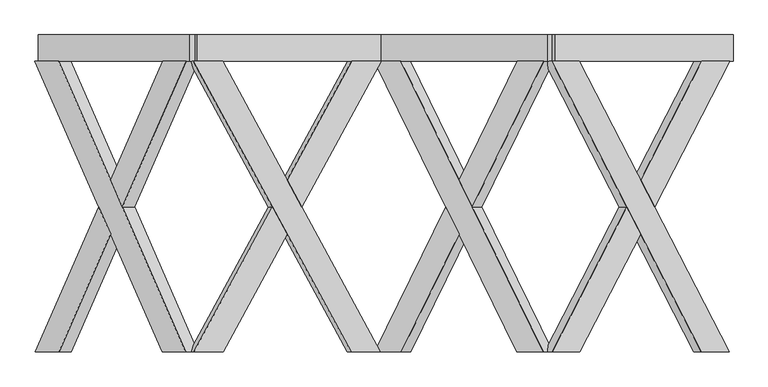
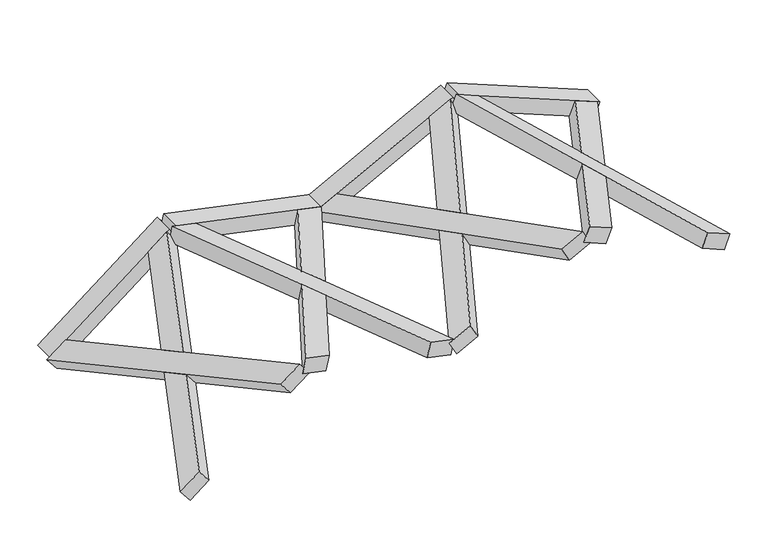
"""IFC4 building model written with IfcOpenShell, lengths in millimetres: proxy geometry."""

from ifc_helpers import new_model, si_unit, frame, origin, place, context, project, spatial, polyline, outline, extrude, faceted_brep, source, transform, mapped, element, save


def generic_models_60bac4ab(model_context):
    return source(origin(), model_context, "Body", "SolidModel", [
        faceted_brep([(5167.2352194, -100.0, 674.8046031), (4026.4367272, -2319.6837757, 1135.7171123), (3814.4168408, -2319.6837757, 1221.3787068), (4955.215333, -100.0, 760.4661976), (3870.6078298, -2319.6837757, 1360.456285), (4082.6277162, -2319.6837757, 1274.7946905), (4544.8188756, -1420.3854116, 1088.0573408), (4438.8089324, -1214.1188776, 1130.888138), (5223.4262084, -100.0, 813.8821813), (5011.4063221, -100.0, 899.5437757), (4544.8188756, -1007.8523437, 1088.0573408), (4650.8288188, -1214.1188776, 1045.2265435), (4410.7134379, -1214.1188776, 1061.3493489), (4516.7233811, -1007.8523437, 1018.5185517), (4622.7333243, -1214.1188776, 975.6877544), (4516.7233811, -1420.3854116, 1018.5185517)], [[[0, 1, 2, 3]], [[4, 5, 6, 7]], [[8, 9, 10, 11]], [[0, 3, 9, 8]], [[3, 2, 4, 7, 12, 13, 10, 9]], [[2, 1, 5, 4]], [[1, 0, 8, 11, 14, 15, 6, 5]], [[12, 15, 14, 13]], [[13, 14, 11, 10]], [[15, 12, 7, 6]]]),
        faceted_brep([(3810.0205538, -100.0, 1223.1549221), (4022.0404402, -100.0, 1137.4933276), (4488.6278866, -1007.8523437, 948.9797626), (4382.6179434, -1214.1188776, 991.8105598), (5162.8389324, -2319.6837757, 676.5808183), (4950.819046, -2319.6837757, 762.2424128), (4488.6278866, -1420.3854116, 948.9797626), (4594.6378298, -1214.1188776, 906.1489653), (3866.2115428, -100.0, 1362.2325002), (5007.010035, -2319.6837757, 901.319991), (5219.0299214, -2319.6837757, 815.6583965), (4078.2314292, -100.0, 1276.5709058), (4622.7333243, -1214.1188776, 975.6877544), (4516.7233811, -1007.8523437, 1018.5185517), (4410.7134379, -1214.1188776, 1061.3493489), (4516.7233811, -1420.3854116, 1018.5185517)], [[[0, 1, 2, 3]], [[4, 5, 6, 7]], [[8, 9, 10, 11]], [[1, 0, 8, 11]], [[11, 10, 4, 7, 12, 13, 2, 1]], [[5, 4, 10, 9]], [[9, 8, 0, 3, 14, 15, 6, 5]], [[12, 15, 14, 13]], [[13, 14, 3, 2]], [[15, 12, 7, 6]]]),
        extrude(outline(polyline([(0.0, -200.0), (0.0, 0.0), (1460.0, 0.0), (1460.0, -200.0), (0.0, -200.0)])), frame((5193.2876161, -100.0, 664.2787516), z_axis=(0.3746065934159147, 0.0, 0.9271838545667863), x_axis=(-0.9271838545667863, 0.0, 0.3746065934159147)), (0.0, 0.0, 1.0), 150.0),
        faceted_brep([(3878.0956223, -100.0, 1201.3306908), (2791.7250199, -2319.6837757, 623.6971952), (2589.8206755, -2319.6837757, 516.342751), (3676.1912779, -100.0, 1093.9762466), (2519.399941, -2319.6837757, 648.7848899), (2721.3042854, -2319.6837757, 756.1393341), (3161.4441451, -1420.3854116, 990.1658488), (3060.4919729, -1214.1188776, 936.4886267), (3807.6748879, -100.0, 1333.7728297), (3605.7705435, -100.0, 1226.4183855), (3161.4441451, -1007.8523437, 990.1658488), (3262.3963173, -1214.1188776, 1043.8430709), (3095.7023401, -1214.1188776, 870.2675572), (3196.6545123, -1007.8523437, 923.9447793), (3297.6066845, -1214.1188776, 977.6220014), (3196.6545123, -1420.3854116, 923.9447793)], [[[0, 1, 2, 3]], [[4, 5, 6, 7]], [[8, 9, 10, 11]], [[0, 3, 9, 8]], [[3, 2, 4, 7, 12, 13, 10, 9]], [[2, 1, 5, 4]], [[1, 0, 8, 11, 14, 15, 6, 5]], [[12, 15, 14, 13]], [[13, 14, 11, 10]], [[15, 12, 7, 6]]]),
        faceted_brep([(2585.6341368, -100.0, 514.1167289), (2787.5384812, -100.0, 621.4711731), (3231.8648795, -1007.8523437, 857.7237099), (3130.9127073, -1214.1188776, 804.0464878), (3873.9090836, -2319.6837757, 1199.1046687), (3672.0047392, -2319.6837757, 1091.7502245), (3231.8648795, -1420.3854116, 857.7237099), (3332.8170517, -1214.1188776, 911.400932), (2515.2134024, -100.0, 646.5588679), (3601.5840048, -2319.6837757, 1224.1923634), (3803.4883492, -2319.6837757, 1331.5468077), (2717.1177468, -100.0, 753.9133121), (3297.6066845, -1214.1188776, 977.6220014), (3196.6545123, -1007.8523437, 923.9447793), (3095.7023401, -1214.1188776, 870.2675572), (3196.6545123, -1420.3854116, 923.9447793)], [[[0, 1, 2, 3]], [[4, 5, 6, 7]], [[8, 9, 10, 11]], [[1, 0, 8, 11]], [[11, 10, 4, 7, 12, 13, 2, 1]], [[5, 4, 10, 9]], [[9, 8, 0, 3, 14, 15, 6, 5]], [[12, 15, 14, 13]], [[13, 14, 3, 2]], [[15, 12, 7, 6]]]),
        extrude(outline(polyline([(0.0, -200.0), (0.0, 0.0), (1460.0, 0.0), (1460.0, -200.0), (0.0, -200.0)])), frame((3902.9050501, -100.0, 1214.5220976), z_axis=(-0.46947156278588775, 0.0, 0.8829475928589285), x_axis=(-0.8829475928589285, 0.0, -0.46947156278588775)), (0.0, 0.0, 1.0), 150.0),
        faceted_brep([(2535.5134234, -100.0, 527.7956043), (1332.0096063, -2319.6837757, 783.6082376), (1108.3357986, -2319.6837757, 831.1515731), (2311.8396157, -100.0, 575.3389398), (1139.5225523, -2319.6837757, 977.8737132), (1363.1963599, -2319.6837757, 930.3303777), (1850.7923976, -1420.3854116, 826.6886405), (1738.9554938, -1214.1188776, 850.4603082), (2566.700177, -100.0, 674.5177444), (2343.0263693, -100.0, 722.0610799), (1850.7923976, -1007.8523437, 826.6886405), (1962.6293014, -1214.1188776, 802.9169727), (1723.362117, -1214.1188776, 777.0992381), (1835.1990208, -1007.8523437, 753.3275704), (1947.0359246, -1214.1188776, 729.5559027), (1835.1990208, -1420.3854116, 753.3275704)], [[[0, 1, 2, 3]], [[4, 5, 6, 7]], [[8, 9, 10, 11]], [[0, 3, 9, 8]], [[3, 2, 4, 7, 12, 13, 10, 9]], [[2, 1, 5, 4]], [[1, 0, 8, 11, 14, 15, 6, 5]], [[12, 15, 14, 13]], [[13, 14, 11, 10]], [[15, 12, 7, 6]]]),
        faceted_brep([(1103.6978646, -100.0, 832.1373964), (1327.3716722, -100.0, 784.5940609), (1819.605644, -1007.8523437, 679.9665003), (1707.7687401, -1214.1188776, 703.7381681), (2530.8754893, -2319.6837757, 528.7814276), (2307.2016816, -2319.6837757, 576.3247631), (1819.605644, -1420.3854116, 679.9665003), (1931.4425478, -1214.1188776, 656.1948326), (1134.8846182, -100.0, 978.8595365), (2338.3884353, -2319.6837757, 723.0469032), (2562.0622429, -2319.6837757, 675.5035677), (1358.5584259, -100.0, 931.316201), (1947.0359246, -1214.1188776, 729.5559027), (1835.1990208, -1007.8523437, 753.3275704), (1723.362117, -1214.1188776, 777.0992381), (1835.1990208, -1420.3854116, 753.3275704)], [[[0, 1, 2, 3]], [[4, 5, 6, 7]], [[8, 9, 10, 11]], [[1, 0, 8, 11]], [[11, 10, 4, 7, 12, 13, 2, 1]], [[5, 4, 10, 9]], [[9, 8, 0, 3, 14, 15, 6, 5]], [[12, 15, 14, 13]], [[13, 14, 3, 2]], [[15, 12, 7, 6]]]),
        extrude(outline(polyline([(0.0, -200.0), (0.0, 0.0), (1459.9999999, 0.0), (1459.9999999, -200.0), (0.0, -200.0)])), frame((2562.9978205, -100.0, 521.9536153), z_axis=(0.20791169081775907, 0.0, 0.9781476007338057), x_axis=(-0.9781476007338057, 0.0, 0.20791169081775907)), (0.0, 0.0, 1.0), 150.0),
        faceted_brep([(1174.5284578, -100.0, 822.4658359), (204.9672697, -2319.6837757, 64.9616156), (24.7722096, -2319.6837757, -75.8221948), (994.3333976, -100.0, 681.6820254), (-67.5770117, -2319.6837757, 42.3794182), (112.6180484, -2319.6837757, 183.1632287), (505.4329169, -1420.3854116, 490.0638392), (415.3353868, -1214.1188776, 419.671934), (1082.1792365, -100.0, 940.6674489), (901.9841763, -100.0, 799.8836384), (505.4329169, -1007.8523437, 490.0638392), (595.5304469, -1214.1188776, 560.4557445), (461.5099975, -1214.1188776, 360.5711275), (551.6075275, -1007.8523437, 430.9630327), (641.7050576, -1214.1188776, 501.354938), (551.6075275, -1420.3854116, 430.9630327)], [[[0, 1, 2, 3]], [[4, 5, 6, 7]], [[8, 9, 10, 11]], [[0, 3, 9, 8]], [[3, 2, 4, 7, 12, 13, 10, 9]], [[2, 1, 5, 4]], [[1, 0, 8, 11, 14, 15, 6, 5]], [[12, 15, 14, 13]], [[13, 14, 11, 10]], [[15, 12, 7, 6]]]),
        faceted_brep([(21.0358186, -100.0, -78.7413834), (201.2308787, -100.0, 62.042427), (597.7821382, -1007.8523437, 371.8622262), (507.6846081, -1214.1188776, 301.470321), (1170.7920667, -2319.6837757, 819.5466472), (990.5970066, -2319.6837757, 678.7628368), (597.7821382, -1420.3854116, 371.8622262), (687.8796682, -1214.1188776, 442.2541314), (-71.3134027, -100.0, 39.4602296), (898.2477853, -2319.6837757, 796.9644498), (1078.4428454, -2319.6837757, 937.7482603), (108.8816574, -100.0, 180.24404), (641.7050576, -1214.1188776, 501.354938), (551.6075275, -1007.8523437, 430.9630327), (461.5099975, -1214.1188776, 360.5711275), (551.6075275, -1420.3854116, 430.9630327)], [[[0, 1, 2, 3]], [[4, 5, 6, 7]], [[8, 9, 10, 11]], [[1, 0, 8, 11]], [[11, 10, 4, 7, 12, 13, 2, 1]], [[5, 4, 10, 9]], [[9, 8, 0, 3, 14, 15, 6, 5]], [[12, 15, 14, 13]], [[13, 14, 3, 2]], [[15, 12, 7, 6]]]),
        extrude(outline(polyline([(0.0, -200.0), (0.0, 0.0), (1460.0, 0.0), (1460.0, -200.0), (0.0, -200.0)])), frame((1196.6703109, -100.0, 839.7649475), z_axis=(-0.6156614753256577, 0.0, 0.7880107536067226), x_axis=(-0.7880107536067226, 0.0, -0.6156614753256577)), (0.0, 0.0, 1.0), 150.0),
    ])


if __name__ == "__main__":
    model = new_model("IFC4")
    model_context = context("Model", 3, world=origin())
    ifc_project = project(units=[si_unit("LENGTHUNIT", "METRE", prefix="MILLI")], contexts=[model_context])
    site = spatial("IfcSite", under=ifc_project)
    building = spatial("IfcBuilding", under=site)
    placement = place(None, origin())
    generic_models_shape = generic_models_60bac4ab(model_context)
    element("IfcBuildingElementProxy", 1, Name="Generic Models", at=placement, inside=building, context=model_context, shape_type="MappedRepresentation", body=[
        mapped(generic_models_shape, transform((0.0, 0.0, 0.0), x_axis=(1.0, 0.0, 0.0), y_axis=(0.0, 1.0, 0.0), z_axis=(0.0, 0.0, 1.0))),
    ])
    save(model, "model.ifc")
